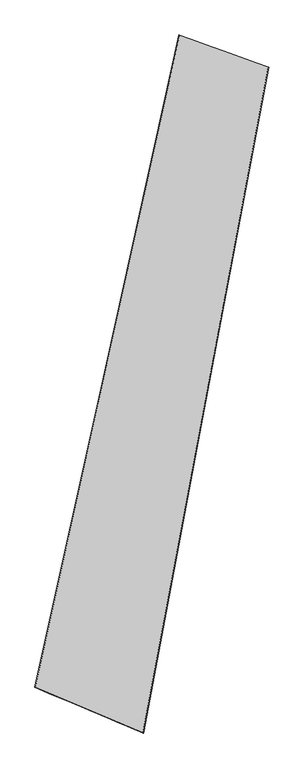
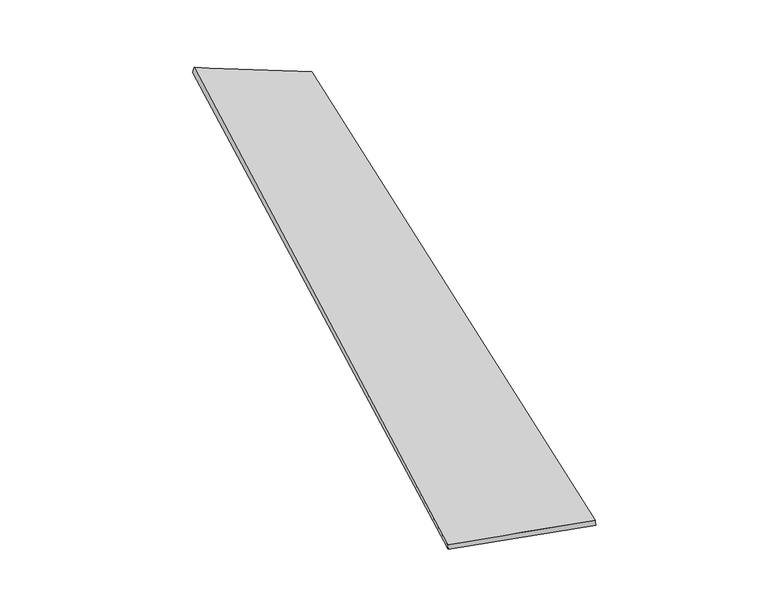
"""IFC4 building model written with IfcOpenShell, lengths in millimetres: proxy geometry."""

from ifc_helpers import new_model, si_unit, origin, place, context, project, spatial, source, transform, mapped, element, save
from ifc_brep_helpers import spline_surface, advanced_brep


def generic_models_a2f45e1c(model_context):
    return source(origin(), model_context, "Body", "AdvancedBrep", [
        advanced_brep(
        [(-670.0926778, -1697.5681171, -41.1878527), (-674.2079827, -1697.3410666, -11.4723228), (218.2657066, 2315.0927238, 79.8046194), (212.6728812, 2316.9934948, 50.3919117), (-7.6190213, -1977.7964278, 70.6489359), (766.8331304, 2119.3536757, -20.3225115), (-4.9760116, -1978.9526978, 40.7879657), (762.3958082, 2119.5273201, -49.9920248)],
        [
            (0, 1),
            (1, 2),
            (2, 3),
            (3, 0),
            (1, 4),
            (4, 5),
            (5, 2),
            (4, 6),
            (6, 7),
            (7, 5),
            (6, 0),
            (3, 7),
        ],
        [
            spline_surface(1, 1, [[(-670.0926778, -1697.5681171, -41.1878527), (212.6728812, 2316.9934948, 50.3919117)], [(-674.2079827, -1697.3410666, -11.4723228), (218.2657066, 2315.0927238, 79.8046194)]], [2, 2], [2, 2], [0.0, 1.0], [0.0, 1.0]),
            spline_surface(1, 1, [[(-674.2079827, -1697.3410666, -11.4723228), (218.2657066, 2315.0927238, 79.8046194)], [(-7.6190213, -1977.7964278, 70.6489359), (766.8331304, 2119.3536757, -20.3225115)]], [2, 2], [2, 2], [0.0, 1.0], [0.0, 1.0]),
            spline_surface(1, 1, [[(-7.6190213, -1977.7964278, 70.6489359), (766.8331304, 2119.3536757, -20.3225115)], [(-4.9760116, -1978.9526978, 40.7879657), (762.3958082, 2119.5273201, -49.9920248)]], [2, 2], [2, 2], [0.0, 1.0], [0.0, 1.0]),
            spline_surface(1, 1, [[(-4.9760116, -1978.9526978, 40.7879657), (762.3958082, 2119.5273201, -49.9920248)], [(-670.0926778, -1697.5681171, -41.1878527), (212.6728812, 2316.9934948, 50.3919117)]], [2, 2], [2, 2], [0.0, 1.0], [0.0, 1.0]),
            spline_surface(1, 1, [[(218.2657066, 2315.0927238, 79.8046194), (212.6728812, 2316.9934948, 50.3919117)], [(766.8331304, 2119.3536757, -20.3225115), (762.3958082, 2119.5273201, -49.9920248)]], [2, 2], [2, 2], [0.0, 1.0], [0.0, 1.0]),
            spline_surface(1, 1, [[(-4.9760116, -1978.9526978, 40.7879657), (-670.0926778, -1697.5681171, -41.1878527)], [(-7.6190213, -1977.7964278, 70.6489359), (-674.2079827, -1697.3410666, -11.4723228)]], [2, 2], [2, 2], [0.0, 1.0], [0.0, 1.0]),
        ],
        [
            (0, [[1, 2, 3, 4]]),
            (1, [[5, 6, 7, -2]]),
            (2, [[8, 9, 10, -6]]),
            (3, [[11, -4, 12, -9]]),
            (4, [[-3, -7, -10, -12]]),
            (5, [[-11, -8, -5, -1]]),
        ],
    ),
    ])


if __name__ == "__main__":
    model = new_model("IFC4")
    model_context = context("Model", 3, world=origin())
    ifc_project = project(units=[si_unit("LENGTHUNIT", "METRE", prefix="MILLI")], contexts=[model_context])
    site = spatial("IfcSite", under=ifc_project)
    building = spatial("IfcBuilding", under=site)
    placement = place(None, origin())
    generic_models_shape = generic_models_a2f45e1c(model_context)
    element("IfcBuildingElementProxy", 1, Name="Generic Models", at=placement, inside=building, context=model_context, shape_type="MappedRepresentation", body=[
        mapped(generic_models_shape, transform((0.0, 0.0, 0.0), x_axis=(1.0, 0.0, 0.0), y_axis=(0.0, 1.0, 0.0), z_axis=(0.0, 0.0, 1.0))),
    ])
    save(model, "model.ifc")
